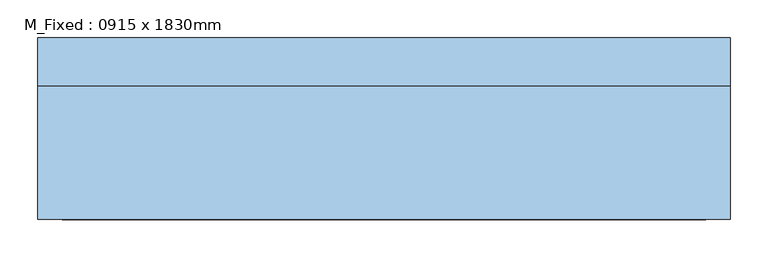
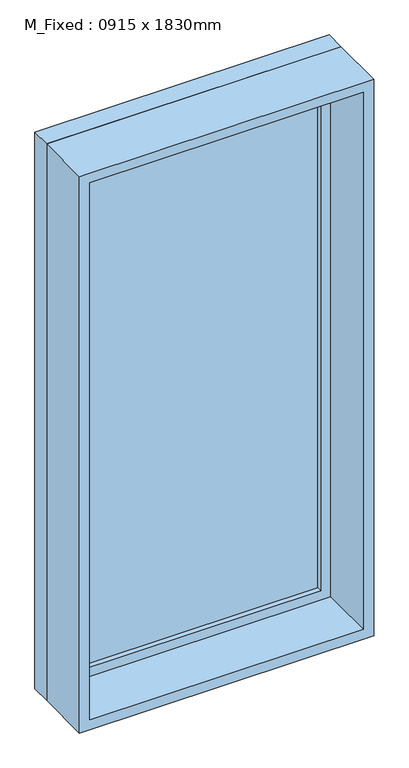
"""IFC4 building model written with IfcOpenShell, lengths in millimetres: window geometry, M_Fixed : 0915 x 1830mm."""

from ifc_helpers import new_model, si_unit, frame, origin, place, context, project, spatial, polyline, outline, extrude, source, transform, mapped, element, save


def m_fixed_0915_x_1830mm_fa93d676(model_context):
    return source(origin(), model_context, "Body", "SweptSolid", [
        extrude(outline(polyline([(-394.5, 98.0), (394.5, 98.0), (394.5, 86.0), (-394.5, 86.0), (-394.5, 98.0)])), frame((0.0, 0.0, 368.0), z_axis=(0.0, 0.0, 1.0), x_axis=(1.0, 0.0, 0.0)), (0.0, 0.0, 1.0), 1704.0),
        extrude(outline(polyline([(2116.0, -438.5), (324.0, -438.5), (324.0, 438.5), (2116.0, 438.5), (2116.0, -438.5)]), holes=[polyline([(2072.0, -394.5), (2072.0, 394.5), (368.0, 394.5), (368.0, -394.5), (2072.0, -394.5)])]), frame((0.0, 70.0, 0.0), z_axis=(0.0, 1.0, 0.0), x_axis=(0.0, 0.0, 1.0)), (0.0, 0.0, 1.0), 44.0),
        extrude(outline(polyline([(2135.0, -457.5), (305.0, -457.5), (305.0, 457.5), (2135.0, 457.5), (2135.0, -457.5)]), holes=[polyline([(2116.0, -438.5), (2116.0, 438.5), (324.0, 438.5), (324.0, -438.5), (2116.0, -438.5)])]), frame((0.0, 70.0, 0.0), z_axis=(0.0, 1.0, 0.0), x_axis=(0.0, 0.0, 1.0)), (0.0, 0.0, 1.0), 63.0),
        extrude(outline(polyline([(2135.0, -457.5), (305.0, -457.5), (305.0, 457.5), (2135.0, 457.5), (2135.0, -457.5)]), holes=[polyline([(2103.0, -425.5), (2103.0, 425.5), (337.0, 425.5), (337.0, -425.5), (2103.0, -425.5)])]), frame((0.0, -107.0, 0.0), z_axis=(0.0, 1.0, 0.0), x_axis=(0.0, 0.0, 1.0)), (0.0, 0.0, 1.0), 177.0),
    ])


if __name__ == "__main__":
    model = new_model("IFC4")
    model_context = context("Model", 3, world=origin())
    ifc_project = project(units=[si_unit("LENGTHUNIT", "METRE", prefix="MILLI")], contexts=[model_context])
    site = spatial("IfcSite", under=ifc_project)
    building = spatial("IfcBuilding", under=site)
    placement = place(None, origin())
    m_fixed_0915_x_1830mm_shape = m_fixed_0915_x_1830mm_fa93d676(model_context)
    element("IfcWindow", 1, ObjectType="M_Fixed : 0915 x 1830mm", at=placement, inside=building, context=model_context, shape_type="MappedRepresentation", body=[
        mapped(m_fixed_0915_x_1830mm_shape, transform((0.0, 0.0, 0.0), x_axis=(1.0, 0.0, 0.0), y_axis=(0.0, 1.0, 0.0), z_axis=(0.0, 0.0, 1.0))),
    ])
    save(model, "model.ifc")
